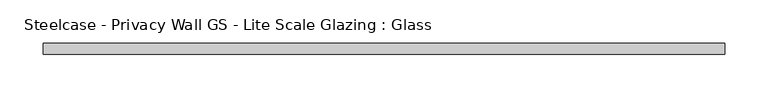
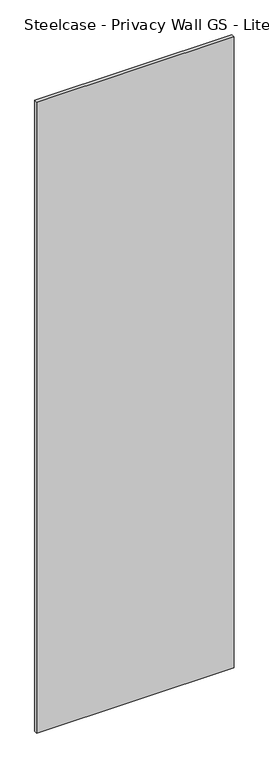
"""IFC4 building model written with IfcOpenShell, lengths in millimetres: plate geometry, Steelcase - Privacy Wall GS - Lite Scale Glazing : Glass."""

from ifc_helpers import new_model, si_unit, origin, origin_with_axes, place, context, project, spatial, polyline, outline, extrude, source, transform, mapped, element, save


def steelcase_privacy_wall_gs_lite_scale_glazing_glass_86d85b65(model_context):
    return source(origin(), model_context, "Body", "SweptSolid", [
        extrude(outline(polyline([(-394.843, -6.349956), (-394.843, 6.3502015), (394.843, 6.3502015), (394.843, -6.349956), (-394.843, -6.349956)])), origin_with_axes(), (0.0, 0.0, 1.0), 2665.984),
    ])


if __name__ == "__main__":
    model = new_model("IFC4")
    model_context = context("Model", 3, world=origin())
    ifc_project = project(units=[si_unit("LENGTHUNIT", "METRE", prefix="MILLI")], contexts=[model_context])
    site = spatial("IfcSite", under=ifc_project)
    building = spatial("IfcBuilding", under=site)
    placement = place(None, origin())
    steelcase_privacy_wall_gs_lite_scale_glazing_glass_shape = steelcase_privacy_wall_gs_lite_scale_glazing_glass_86d85b65(model_context)
    element("IfcPlate", 1, ObjectType="Steelcase - Privacy Wall GS - Lite Scale Glazing : Glass", at=placement, inside=building, context=model_context, shape_type="MappedRepresentation", body=[
        mapped(steelcase_privacy_wall_gs_lite_scale_glazing_glass_shape, transform((0.0, 0.0, 0.0), x_axis=(1.0, 0.0, 0.0), y_axis=(0.0, 1.0, 0.0), z_axis=(0.0, 0.0, 1.0))),
    ])
    save(model, "model.ifc")
